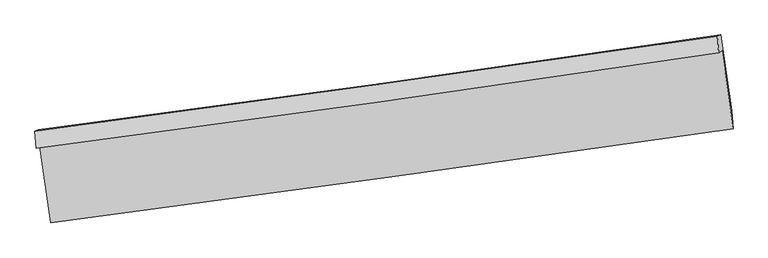
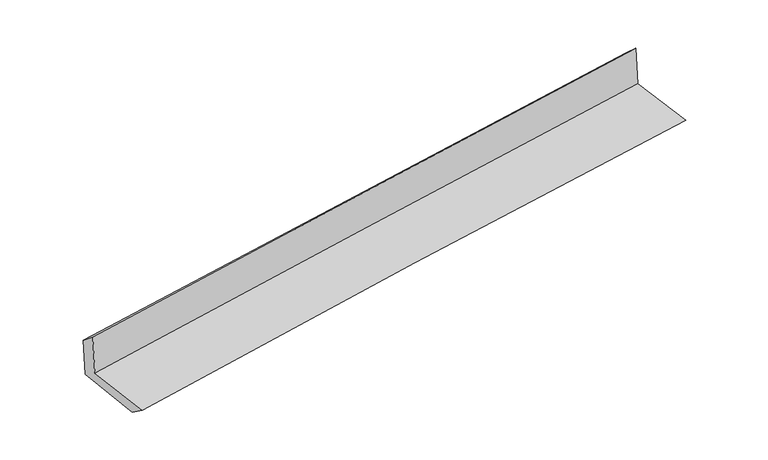
"""IFC4 building model written with IfcOpenShell, lengths in millimetres: proxy geometry."""

from ifc_helpers import new_model, si_unit, frame, origin, place, context, project, spatial, source, transform, mapped, element, save
from ifc_brep_helpers import plane_surface, spline_curve, spline_surface, advanced_brep


def generic_models_d687f439(model_context):
    return source(origin(), model_context, "Body", "AdvancedBrep", [
        advanced_brep(
        [(-2985.4442148, -1907.6752442, 1643.0314085), (-2891.1420914, -2570.9565458, 1621.0020814), (3034.5589207, -1751.6814696, 2122.314148), (2938.6585295, -1078.3255157, 2136.8655883), (-3015.5897362, -1925.2221665, 2042.3063746), (2908.575433, -1095.8361021, 2535.313741), (-3027.2346052, -1775.0950897, 1928.4696282), (2899.1225938, -950.0182961, 2399.9430008), (-2997.8693513, -1763.7290808, 1549.3133576), (2927.3359458, -939.099598, 2035.7365769), (-2903.3716019, -2417.8129819, 1509.1737971), (3022.9577143, -1595.5627805, 1995.5068825)],
        [
            (0, 1),
            (1, 2, spline_curve(3, [(-2891.1420914, -2570.9565458, 1621.0020814), (-1904.476270386, -2440.893164699, 1727.147261363), (-917.330169944, -2307.587860739, 1821.996151287), (1057.903519209, -2034.496043459, 1989.09973739), (2045.991089491, -1894.709655523, 2061.354869714), (3034.5589207, -1751.6814696, 2122.314148)], [4, 2, 4], [0.0, 9.847429315454702, 19.694668486319898])),
            (2, 3),
            (3, 0, spline_curve(3, [(2938.6585295, -1078.3255157, 2136.8655883), (1951.39467003, -1225.878694463, 2069.351124347), (964.092278592, -1368.767138818, 1994.44151259), (-1010.608634984, -1645.217228603, 1829.830404952), (-1998.007157893, -1778.778693533, 1740.128623353), (-2985.4442148, -1907.6752442, 1643.0314085)], [4, 2, 4], [0.0, 9.847239170865196, 19.694668486319898])),
            (4, 0),
            (3, 5),
            (5, 4, spline_curve(3, [(2908.575433, -1095.8361021, 2535.313741), (1921.54553796, -1243.253096088, 2464.700437149), (934.354927593, -1386.076475719, 2388.310290748), (-1040.366789186, -1662.538674619, 2223.974724854), (-2027.89790169, -1796.177316555, 2136.029082927), (-3015.5897362, -1925.2221665, 2042.3063746)], [4, 2, 4], [0.0, 9.84638835508573, 19.692966838332197])),
            (6, 4),
            (5, 7),
            (7, 6, spline_curve(3, [(2899.1225938, -950.0182961, 2399.9430008), (1912.105352227, -1094.73987909, 2324.885499586), (924.738402916, -1235.856441303, 2248.067697842), (-1050.713983563, -1510.882178367, 2090.90997486), (-2038.79943366, -1644.791214008, 2010.569985888), (-3027.2346052, -1775.0950897, 1928.4696282)], [4, 2, 4], [0.0, 9.84607406739614, 19.692338256884298])),
            (8, 6),
            (7, 9),
            (9, 8, spline_curve(3, [(2927.3359458, -939.099598, 2035.7365769), (1940.508641523, -1083.747431932, 1958.214379132), (953.332651633, -1224.789843834, 1878.91842026), (-1021.735767173, -1499.666477196, 1716.77741593), (-2009.62820985, -1633.500559764, 1633.932301257), (-2997.8693513, -1763.7290808, 1549.3133576)], [4, 2, 4], [0.0, 9.845888913182694, 19.691967944882187])),
            (10, 8),
            (9, 11),
            (11, 10, spline_curve(3, [(3022.9577143, -1595.5627805, 1995.5068825), (2035.584860552, -1737.348192573, 1918.150893567), (1048.042426835, -1876.761109969, 1838.945551188), (-927.400671993, -2150.844602004, 1676.834594092), (-1915.301343706, -2285.515085135, 1593.928908235), (-2903.3716019, -2417.8129819, 1509.1737971)], [4, 2, 4], [0.0, 9.846505136702763, 19.69320040382125])),
            (1, 10),
            (11, 2),
        ],
        [
            spline_surface(3, 3, [[(-2985.4442148, -1907.6752442, 1643.0314085), (-1998.007157908, -1778.778693562, 1740.128623305), (-1010.608634839, -1645.217228529, 1829.830404936), (964.092278447, -1368.767138892, 1994.441512606), (1951.394670129, -1225.878694402, 2069.351124244), (2938.6585295, -1078.3255157, 2136.8655883)], [(-2954.010173669, -2128.769011416, 1635.688299474), (-1966.830195393, -1999.483517299, 1735.801502708), (-979.515813206, -1866.007439259, 1827.218987084), (995.362692069, -1590.676773745, 1992.660920853), (1982.926809942, -1448.822348067, 2066.685706058), (2970.62532656, -1302.777500333, 2132.015108212)], [(-2922.576132531, -2349.862778584, 1628.345190426), (-1935.65323287, -2220.188340988, 1731.474382088), (-948.422991627, -2086.797650003, 1824.607569208), (1026.633105637, -1812.586408613, 1990.880329076), (2014.458949775, -1671.766001734, 2064.020287837), (3002.59212364, -1527.229484967, 2127.164628088)], [(-2891.1420914, -2570.9565458, 1621.0020814), (-1904.476270355, -2440.893164725, 1727.147261492), (-917.330169994, -2307.587860733, 1821.996151356), (1057.903519258, -2034.496043466, 1989.099737322), (2045.991089588, -1894.7096554, 2061.354869652), (3034.5589207, -1751.6814696, 2122.314148)]], [4, 4], [4, 2, 4], [0.0, 2.2002577781240142], [0.0, 9.847429315454702, 19.694668486319898]),
            spline_surface(3, 3, [[(-3015.5897362, -1925.2221665, 2042.3063746), (-2027.89790185, -1796.177316544, 2136.029082808), (-1040.36678924, -1662.538674604, 2223.97472495), (934.354927647, -1386.076475734, 2388.310290652), (1921.54553805, -1243.253096209, 2464.700437311), (2908.575433, -1095.8361021, 2535.313741)], [(-3005.541229051, -1919.373192379, 1909.21471924), (-2017.934320521, -1790.377775529, 2004.06226298), (-1030.44740447, -1656.764859255, 2092.593284941), (944.267377883, -1380.306696796, 2257.020697966), (1931.49524874, -1237.461628932, 2332.917332961), (2918.60313183, -1089.999239959, 2402.497690106)], [(-2995.492721949, -1913.524218321, 1776.12306386), (-2007.970739238, -1784.578234577, 1872.095443133), (-1020.528019609, -1650.991043878, 1961.211844945), (954.179828211, -1374.536917831, 2125.731105293), (1941.444959439, -1231.670161679, 2201.134228594), (2928.63083067, -1084.162377841, 2269.681639194)], [(-2985.4442148, -1907.6752442, 1643.0314085), (-1998.007157908, -1778.778693562, 1740.128623305), (-1010.608634839, -1645.217228529, 1829.830404936), (964.092278447, -1368.767138892, 1994.441512606), (1951.394670129, -1225.878694402, 2069.351124244), (2938.6585295, -1078.3255157, 2136.8655883)]], [4, 4], [4, 2, 4], [0.0, 1.2975956724039917], [0.0, 9.846578483246466, 19.692966838332197]),
            spline_surface(3, 3, [[(-3027.2346052, -1775.0950897, 1928.4696282), (-2038.799433742, -1644.791214172, 2010.569985918), (-1050.7139834, -1510.882178395, 2090.909974906), (924.738402753, -1235.856441275, 2248.067697795), (1912.105352093, -1094.739879245, 2324.885499667), (2899.1225938, -950.0182961, 2399.9430008)], [(-3023.352982205, -1825.137448633, 1966.415210315), (-2035.165589783, -1695.253248295, 2052.389684863), (-1047.264918653, -1561.434343812, 2135.264891609), (927.943911078, -1285.929786109, 2294.815228769), (1915.252080775, -1144.244284929, 2371.490478859), (2902.273540229, -998.624231462, 2445.066580845)], [(-3019.471359195, -1875.179807567, 2004.360792485), (-2031.531745809, -1745.71528242, 2094.209383863), (-1043.815853987, -1611.986509187, 2179.619808247), (931.149419322, -1336.0031309, 2341.562759679), (1918.398809368, -1193.748690526, 2418.095458118), (2905.424486571, -1047.230166738, 2490.190160955)], [(-3015.5897362, -1925.2221665, 2042.3063746), (-2027.89790185, -1796.177316544, 2136.029082808), (-1040.36678924, -1662.538674604, 2223.97472495), (934.354927647, -1386.076475734, 2388.310290652), (1921.54553805, -1243.253096209, 2464.700437311), (2908.575433, -1095.8361021, 2535.313741)]], [4, 4], [4, 2, 4], [0.0, 0.6688103683398235], [0.0, 9.846264189488158, 19.692338256884298]),
            spline_surface(3, 3, [[(-2997.8693513, -1763.7290808, 1549.3133576), (-2009.628209798, -1633.500559674, 1633.932301399), (-1021.735767228, -1499.666477271, 1716.777415788), (953.332651688, -1224.789843759, 1878.918420401), (1940.508641454, -1083.747431909, 1958.214379084), (2927.3359458, -939.099598, 2035.7365769)], [(-3007.657769268, -1767.517750453, 1675.698781161), (-2019.351951114, -1637.264111193, 1759.478196267), (-1031.39517264, -1503.405044302, 1841.488268823), (943.801235356, -1228.478709588, 2001.968179528), (1931.040878309, -1087.411581017, 2080.438085962), (2917.931495109, -942.739164029, 2157.138718217)], [(-3017.446187232, -1771.306420047, 1802.084204639), (-2029.075692426, -1641.027662653, 1885.02409105), (-1041.054577989, -1507.143611364, 1966.199121872), (934.269819086, -1232.167575446, 2125.017938669), (1921.573115238, -1091.075730137, 2202.661792788), (2908.527044491, -946.378730071, 2278.540859483)], [(-3027.2346052, -1775.0950897, 1928.4696282), (-2038.799433742, -1644.791214172, 2010.569985918), (-1050.7139834, -1510.882178395, 2090.909974906), (924.738402753, -1235.856441275, 2248.067697795), (1912.105352093, -1094.739879245, 2324.885499667), (2899.1225938, -950.0182961, 2399.9430008)]], [4, 4], [4, 2, 4], [0.0, 1.2234928112222212], [0.0, 9.846079031699492, 19.691967944882187]),
            spline_surface(3, 3, [[(-2903.3716019, -2417.8129819, 1509.1737971), (-1915.301343829, -2285.515085071, 1593.928908096), (-927.400672007, -2150.844602032, 1676.834594115), (1048.042426849, -1876.761109941, 1838.945551165), (2035.584860416, -1737.348192515, 1918.150893604), (3022.9577143, -1595.5627805, 1995.5068825)], [(-2934.870851704, -2199.785014866, 1522.553650586), (-1946.743632489, -2068.176909938, 1607.263372517), (-958.845703724, -1933.785227093, 1690.14886799), (1016.472501819, -1659.437354528, 1852.269840895), (2003.892787436, -1519.481272307, 1931.50538876), (2991.083791474, -1376.74171966, 2008.91678063)], [(-2966.370101496, -1981.757047834, 1535.933504114), (-1978.185921138, -1850.838734807, 1620.597836978), (-990.290735511, -1716.72585221, 1703.463141913), (984.902576719, -1442.113599172, 1865.594130672), (1972.200714435, -1301.614352117, 1944.859883928), (2959.209868626, -1157.92065884, 2022.32667877)], [(-2997.8693513, -1763.7290808, 1549.3133576), (-2009.628209798, -1633.500559674, 1633.932301399), (-1021.735767228, -1499.666477271, 1716.777415788), (953.332651688, -1224.789843759, 1878.918420401), (1940.508641454, -1083.747431909, 1958.214379084), (2927.3359458, -939.099598, 2035.7365769)]], [4, 4], [4, 2, 4], [0.0, 2.1640632169403515], [0.0, 9.846695267118488, 19.69320040382125]),
            spline_surface(3, 3, [[(-2891.1420914, -2570.9565458, 1621.0020814), (-1904.476270355, -2440.893164725, 1727.147261492), (-917.330169994, -2307.587860733, 1821.996151356), (1057.903519258, -2034.496043466, 1989.099737322), (2045.991089588, -1894.7096554, 2061.354869652), (3034.5589207, -1751.6814696, 2122.314148)], [(-2895.218594903, -2519.908691153, 1583.725986623), (-1908.084628183, -2389.100471494, 1682.741143683), (-920.687004015, -2255.340107843, 1773.608965605), (1054.616488438, -1981.917732301, 1939.048341932), (2042.522346529, -1842.255834429, 2013.620210961), (3030.691851898, -1699.641906557, 2080.045059491)], [(-2899.295098397, -2468.860836547, 1546.449891877), (-1911.692986001, -2337.307778302, 1638.335025905), (-924.043837985, -2203.092354922, 1725.221779866), (1051.329457669, -1929.339421105, 1888.996946555), (2039.053603476, -1789.802013486, 1965.885552296), (3026.824783102, -1647.602343543, 2037.775971009)], [(-2903.3716019, -2417.8129819, 1509.1737971), (-1915.301343829, -2285.515085071, 1593.928908096), (-927.400672007, -2150.844602032, 1676.834594115), (1048.042426849, -1876.761109941, 1838.945551165), (2035.584860416, -1737.348192515, 1918.150893604), (3022.9577143, -1595.5627805, 1995.5068825)]], [4, 4], [4, 2, 4], [0.0, 0.7084356741927862], [0.0, 9.847671585468447, 19.695153021669384]),
            plane_surface(frame((2955.2015229, -1235.0872937, 2204.2799896), z_axis=(0.9870287306795357, 0.13883187123634824, 0.08062255479801524), x_axis=(-0.07719941244807088, -0.02987653061866315, 0.9965679322734927))),
            plane_surface(frame((-2970.1086001, -2060.0818515, 1715.5494412), z_axis=(-0.9871934714407639, -0.1376779698377333, -0.08058428237624402), x_axis=(-0.1406835982688969, 0.9895090038650795, 0.03286421226887966))),
        ],
        [
            (0, [[1, 2, 3, 4]]),
            (1, [[5, -4, 6, 7]]),
            (2, [[8, -7, 9, 10]]),
            (3, [[11, -10, 12, 13]]),
            (4, [[14, -13, 15, 16]]),
            (5, [[17, -16, 18, -2]]),
            (6, [[-12, -9, -6, -3, -18, -15]]),
            (7, [[-1, -5, -8, -11, -14, -17]]),
        ],
    ),
    ])


if __name__ == "__main__":
    model = new_model("IFC4")
    model_context = context("Model", 3, world=origin())
    ifc_project = project(units=[si_unit("LENGTHUNIT", "METRE", prefix="MILLI")], contexts=[model_context])
    site = spatial("IfcSite", under=ifc_project)
    building = spatial("IfcBuilding", under=site)
    placement = place(None, origin())
    generic_models_shape = generic_models_d687f439(model_context)
    element("IfcBuildingElementProxy", 1, Name="Generic Models", at=placement, inside=building, context=model_context, shape_type="MappedRepresentation", body=[
        mapped(generic_models_shape, transform((0.0, 0.0, 0.0), x_axis=(1.0, 0.0, 0.0), y_axis=(0.0, 1.0, 0.0), z_axis=(0.0, 0.0, 1.0))),
    ])
    save(model, "model.ifc")
